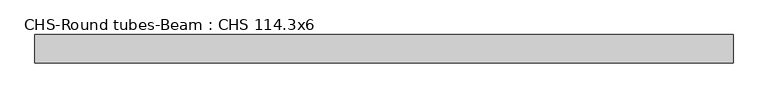
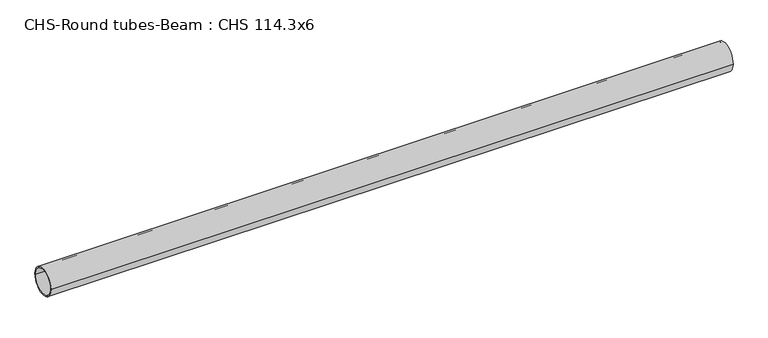
"""IFC4 building model written with IfcOpenShell, lengths in millimetres: beam geometry, CHS-Round tubes-Beam : CHS 114.3x6."""

from ifc_helpers import new_model, si_unit, point, frame, origin, origin_2d, place, context, project, spatial, circle_curve, trimmed, segment, composite_curve, outline, extrude, source, transform, mapped, element, save


def chs_round_tubes_beam_chs_114_3x6_b437bcf0(model_context):
    return source(origin(), model_context, "Body", "SweptSolid", [
        extrude(outline(composite_curve([segment(trimmed(circle_curve(origin_2d(), 57.15), [point((57.15, 0.0))], [point((-57.15, 0.0))], False, "CARTESIAN"), True, "CONTINUOUS"), segment(trimmed(circle_curve(origin_2d(), 57.15), [point((-57.15, 0.0))], [point((57.15, 0.0))], False, "CARTESIAN"), True, "CONTINUOUS")], self_intersect=False), holes=[composite_curve([segment(trimmed(circle_curve(origin_2d(), 51.15), [point((51.15, 0.0))], [point((-51.15, 0.0))], True, "CARTESIAN"), True, "CONTINUOUS"), segment(trimmed(circle_curve(origin_2d(), 51.15), [point((-51.15, 0.0))], [point((51.15, 0.0))], True, "CARTESIAN"), True, "CONTINUOUS")], self_intersect=False)]), frame((-1353.9074447, 0.0, 0.0), z_axis=(1.0, 0.0, 0.0), x_axis=(0.0, 1.0, 0.0)), (0.0, 0.0, 1.0), 2795.5314656),
    ])


if __name__ == "__main__":
    model = new_model("IFC4")
    model_context = context("Model", 3, world=origin())
    ifc_project = project(units=[si_unit("LENGTHUNIT", "METRE", prefix="MILLI")], contexts=[model_context])
    site = spatial("IfcSite", under=ifc_project)
    building = spatial("IfcBuilding", under=site)
    placement = place(None, origin())
    chs_round_tubes_beam_chs_114_3x6_shape = chs_round_tubes_beam_chs_114_3x6_b437bcf0(model_context)
    element("IfcBeam", 1, ObjectType="CHS-Round tubes-Beam : CHS 114.3x6", at=placement, inside=building, context=model_context, shape_type="MappedRepresentation", body=[
        mapped(chs_round_tubes_beam_chs_114_3x6_shape, transform((0.0, 0.0, 0.0), x_axis=(1.0, 0.0, 0.0), y_axis=(0.0, 1.0, 0.0), z_axis=(0.0, 0.0, 1.0))),
    ])
    save(model, "model.ifc")
